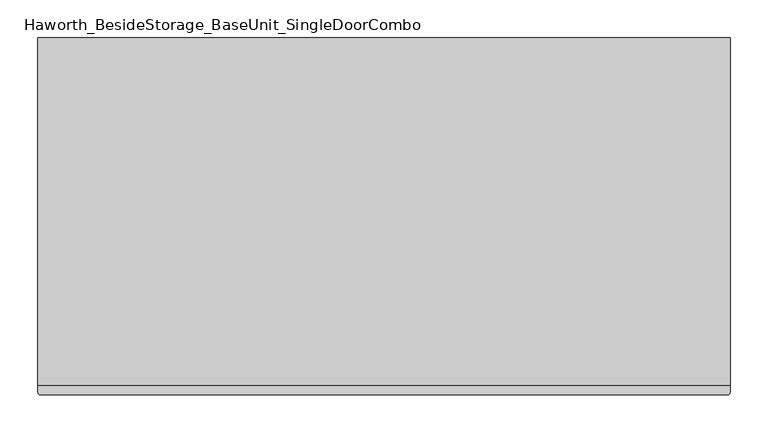
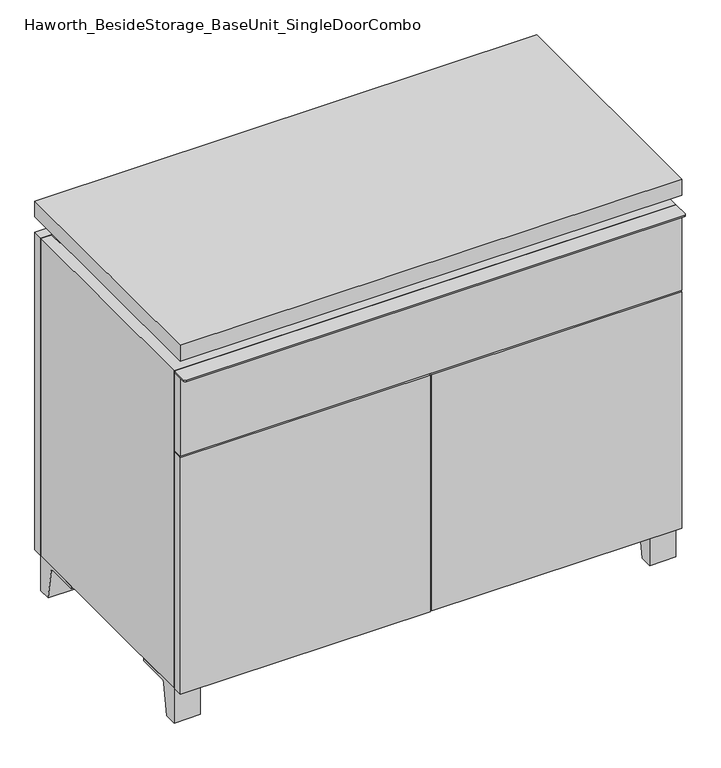
"""IFC4 building model written with IfcOpenShell, lengths in millimetres: furniture geometry, Haworth_BesideStorage_BaseUnit_SingleDoorCombo."""

from ifc_helpers import new_model, si_unit, point, frame, frame_2d, origin, place, context, project, spatial, polyline, circle_curve, trimmed, segment, composite_curve, outline, extrude, faceted_brep, source, transform, mapped, element, save


def haworth_besidestorage_baseunit_singledoorcombo_253171b9(model_context):
    return source(origin(), model_context, "Body", "SolidModel", [
        extrude(outline(composite_curve([segment(polyline([(-123.2958469, 0.0), (-146.05, 0.0), (-146.05, 66.675), (-50.8, 66.675), (-50.8, 61.8963321), (-107.6005345, 61.8963321)]), True, "CONTINUOUS"), segment(trimmed(circle_curve(frame_2d((-107.6005345, 55.5463321)), 6.35), [point((-107.6005345, 61.8963321))], [point((-113.8641359, 56.5902656))], True, "CARTESIAN"), True, "CONTINUOUS"), segment(polyline([(-113.8641359, 56.5902656), (-123.2958469, 0.0)]), True, "CONTINUOUS")], self_intersect=False)), frame((408.0013906, 0.0, 0.0), z_axis=(1.0, 0.0, 0.0), x_axis=(0.0, 1.0, 0.0)), (0.0, 0.0, 1.0), 47.625),
        extrude(outline(composite_curve([segment(polyline([(250.2958469, 0.0), (240.8641359, 56.5902656)]), True, "CONTINUOUS"), segment(trimmed(circle_curve(frame_2d((234.6005345, 55.5463321)), 6.35), [point((240.8641359, 56.5902656))], [point((234.6005345, 61.8963321))], True, "CARTESIAN"), True, "CONTINUOUS"), segment(polyline([(234.6005345, 61.8963321), (177.8, 61.8963321), (177.8, 66.675), (273.05, 66.675), (273.05, 0.0), (250.2958469, 0.0)]), True, "CONTINUOUS")], self_intersect=False)), frame((408.0013906, 0.0, 0.0), z_axis=(1.0, 0.0, 0.0), x_axis=(0.0, 1.0, 0.0)), (0.0, 0.0, 1.0), 47.625),
        extrude(outline(composite_curve([segment(polyline([(-123.2958469, 0.0), (-146.05, 0.0), (-146.05, 66.675), (-50.8, 66.675), (-50.8, 61.8963321), (-107.6005345, 61.8963321)]), True, "CONTINUOUS"), segment(trimmed(circle_curve(frame_2d((-107.6005345, 55.5463321)), 6.35), [point((-107.6005345, 61.8963321))], [point((-113.8641359, 56.5902656))], True, "CARTESIAN"), True, "CONTINUOUS"), segment(polyline([(-113.8641359, 56.5902656), (-123.2958469, 0.0)]), True, "CONTINUOUS")], self_intersect=False)), frame((-455.5986094, 0.0, 0.0), z_axis=(1.0, 0.0, 0.0), x_axis=(0.0, 1.0, 0.0)), (0.0, 0.0, 1.0), 47.625),
        extrude(outline(composite_curve([segment(polyline([(250.2958469, 0.0), (240.8641359, 56.5902656)]), True, "CONTINUOUS"), segment(trimmed(circle_curve(frame_2d((234.6005345, 55.5463321)), 6.35), [point((240.8641359, 56.5902656))], [point((234.6005345, 61.8963321))], True, "CARTESIAN"), True, "CONTINUOUS"), segment(polyline([(234.6005345, 61.8963321), (177.8, 61.8963321), (177.8, 66.675), (273.05, 66.675), (273.05, 0.0), (250.2958469, 0.0)]), True, "CONTINUOUS")], self_intersect=False)), frame((-455.5986094, 0.0, 0.0), z_axis=(1.0, 0.0, 0.0), x_axis=(0.0, 1.0, 0.0)), (0.0, 0.0, 1.0), 47.625),
        faceted_brep([(-455.5986094, -146.05, 66.675), (455.6125, -146.05, 66.675), (455.6125, -146.05, 676.275), (-455.5986094, -146.05, 676.275), (-436.5486094, -146.05, 85.725), (-436.5486094, -146.05, 657.225), (436.5694453, -146.05, 657.225), (436.5486094, -146.05, 85.725), (-455.5986094, 273.05, 66.675), (-455.5986094, 273.05, 676.275), (-436.5486094, 273.05, 676.275), (-436.5486094, 273.05, 85.725), (436.5486094, 273.05, 85.725), (436.5486094, 273.05, 676.275), (455.6125, 273.05, 676.275), (455.6125, 273.05, 66.675), (436.5486094, 247.65, 676.275), (-436.5416641, 247.65, 676.275), (-436.5486094, 247.65, 657.225), (436.5486094, 247.65, 657.225)], [[[0, 1, 2, 3], [4, 5, 6, 7]], [[8, 9, 10, 11, 12, 13, 14, 15]], [[1, 0, 8, 15]], [[2, 1, 15, 14]], [[3, 2, 14, 13, 16, 17, 10, 9]], [[0, 3, 9, 8]], [[11, 10, 17, 18, 5, 4]], [[13, 12, 7, 6, 19, 16]], [[4, 7, 12, 11]], [[6, 5, 18, 19]], [[17, 16, 19, 18]]]),
        extrude(outline(polyline([(455.6263906, -165.1), (-455.5986094, -165.1), (-455.5986094, 292.1), (455.6263906, 292.1), (455.6263906, -165.1)])), frame((0.0, 0.0, 706.4375), z_axis=(0.0, 0.0, 1.0), x_axis=(1.0, 0.0, 0.0)), (0.0, 0.0, 1.0), 30.1625),
        faceted_brep([(7.9513906, -69.85, 706.4375), (7.9513906, -69.85, 676.275), (7.9513906, 53.975, 676.275), (7.9513906, 53.975, 706.4375), (7.9513906, 196.85, 676.275), (7.9513906, 196.85, 706.4375), (7.9513906, 73.025, 706.4375), (7.9513906, 73.025, 676.275), (-7.9236094, 196.85, 706.4375), (-7.9236094, 196.85, 676.275), (-7.9236094, 73.025, 676.275), (-7.9236094, 73.025, 706.4375), (-7.9236094, -69.85, 676.275), (-7.9236094, -69.85, 706.4375), (-7.9236094, 53.975, 706.4375), (-7.9236094, 53.975, 676.275), (-414.2958281, 73.025, 706.4375), (-414.3166641, 247.65, 706.4375), (-430.1916641, 247.65, 706.4375), (-430.1916641, -120.65, 706.4375), (-414.3166641, -120.65, 706.4375), (-414.3166641, 53.975, 706.4375), (414.3236094, 53.975, 706.4375), (414.3236094, -120.65, 706.4375), (430.1986094, -120.65, 706.4375), (430.1986094, 247.65, 706.4375), (414.3236094, 247.65, 706.4375), (414.3236094, 73.025, 706.4375), (-414.2958281, 53.975, 676.275), (-414.3166641, -120.65, 676.275), (-430.1916641, -120.65, 676.275), (-430.1916641, 247.65, 676.275), (-414.3166641, 247.65, 676.275), (-414.3166641, 73.025, 676.275), (414.3236094, 73.025, 676.275), (414.3236094, 247.65, 676.275), (430.1986094, 247.65, 676.275), (430.1986094, -120.65, 676.275), (414.3236094, -120.65, 676.275), (414.3236094, 53.975, 676.275)], [[[0, 1, 2, 3]], [[4, 5, 6, 7]], [[8, 9, 10, 11]], [[12, 13, 14, 15]], [[5, 8, 11, 16, 17, 18, 19, 20, 21, 14, 13, 0, 3, 22, 23, 24, 25, 26, 27, 6]], [[1, 12, 15, 28, 29, 30, 31, 32, 33, 10, 9, 4, 7, 34, 35, 36, 37, 38, 39, 2]], [[5, 4, 9, 8]], [[1, 0, 13, 12]], [[6, 27, 34, 7]], [[22, 3, 2, 39]], [[20, 29, 28, 21]], [[32, 17, 16, 33]], [[18, 31, 30, 19]], [[29, 20, 19, 30]], [[17, 32, 31, 18]], [[26, 35, 34, 27]], [[38, 23, 22, 39]], [[25, 24, 37, 36]], [[23, 38, 37, 24]], [[35, 26, 25, 36]], [[16, 11, 10, 33]], [[14, 21, 28, 15]]]),
        extrude(outline(polyline([(455.6263906, 273.05), (-455.5986094, 273.05), (-455.5986094, 292.1), (455.6263906, 292.1), (455.6263906, 273.05)])), frame((0.0, 0.0, 66.675), z_axis=(0.0, 0.0, 1.0), x_axis=(1.0, 0.0, 0.0)), (0.0, 0.0, 1.0), 609.6),
        extrude(outline(polyline([(-436.5416641, 203.2), (-436.5416641, 209.55), (436.5694453, 209.55), (436.5694453, 203.2), (-436.5416641, 203.2)])), frame((0.0, 0.0, 85.725), z_axis=(0.0, 0.0, 1.0), x_axis=(1.0, 0.0, 0.0)), (0.0, 0.0, 1.0), 571.5),
        extrude(outline(polyline([(1.6013906, -165.1), (1.6013906, -146.05), (455.6263906, -146.05), (455.6263906, -165.1), (1.6013906, -165.1)])), frame((0.0, 0.0, 66.675), z_axis=(0.0, 0.0, 1.0), x_axis=(1.0, 0.0, 0.0)), (0.0, 0.0, 1.0), 454.025),
        extrude(outline(polyline([(-1.5736094, -165.1), (-455.5986094, -165.1), (-455.5986094, -146.05), (-1.5736094, -146.05), (-1.5736094, -165.1)])), frame((0.0, 0.0, 66.675), z_axis=(0.0, 0.0, 1.0), x_axis=(1.0, 0.0, 0.0)), (0.0, 0.0, 1.0), 454.025),
        extrude(outline(composite_curve([segment(polyline([(455.6263906, -146.05), (455.6263906, -174.625)]), True, "CONTINUOUS"), segment(trimmed(circle_curve(frame_2d((452.4513906, -174.625)), 3.175), [point((455.6263906, -174.625))], [point((452.4513906, -177.8))], False, "CARTESIAN"), True, "CONTINUOUS"), segment(polyline([(452.4513906, -177.8), (-452.4236094, -177.8)]), True, "CONTINUOUS"), segment(trimmed(circle_curve(frame_2d((-452.4236094, -174.625)), 3.175), [point((-452.4236094, -177.8))], [point((-455.5986094, -174.625))], False, "CARTESIAN"), True, "CONTINUOUS"), segment(polyline([(-455.5986094, -174.625), (-455.5986094, -146.05), (455.6263906, -146.05)]), True, "CONTINUOUS")], self_intersect=False)), frame((0.0, 0.0, 673.89375), z_axis=(0.0, 0.0, 1.0), x_axis=(1.0, 0.0, 0.0)), (0.0, 0.0, 1.0), 2.38125),
        extrude(outline(polyline([(455.6263906, -146.05), (455.6263906, -165.1), (-455.5986094, -165.1), (-455.5986094, -146.05), (455.6263906, -146.05)])), frame((0.0, 0.0, 523.875), z_axis=(0.0, 0.0, 1.0), x_axis=(1.0, 0.0, 0.0)), (0.0, 0.0, 1.0), 150.01875),
    ])


if __name__ == "__main__":
    model = new_model("IFC4")
    model_context = context("Model", 3, world=origin())
    ifc_project = project(units=[si_unit("LENGTHUNIT", "METRE", prefix="MILLI")], contexts=[model_context])
    site = spatial("IfcSite", under=ifc_project)
    building = spatial("IfcBuilding", under=site)
    placement = place(None, origin())
    haworth_besidestorage_baseunit_singledoorcombo_shape = haworth_besidestorage_baseunit_singledoorcombo_253171b9(model_context)
    element("IfcFurniture", 1, ObjectType="Haworth_BesideStorage_BaseUnit_SingleDoorCombo", at=placement, inside=building, context=model_context, shape_type="MappedRepresentation", body=[
        mapped(haworth_besidestorage_baseunit_singledoorcombo_shape, transform((0.0, 0.0, 0.0), x_axis=(1.0, 0.0, 0.0), y_axis=(0.0, 1.0, 0.0), z_axis=(0.0, 0.0, 1.0))),
    ])
    save(model, "model.ifc")
